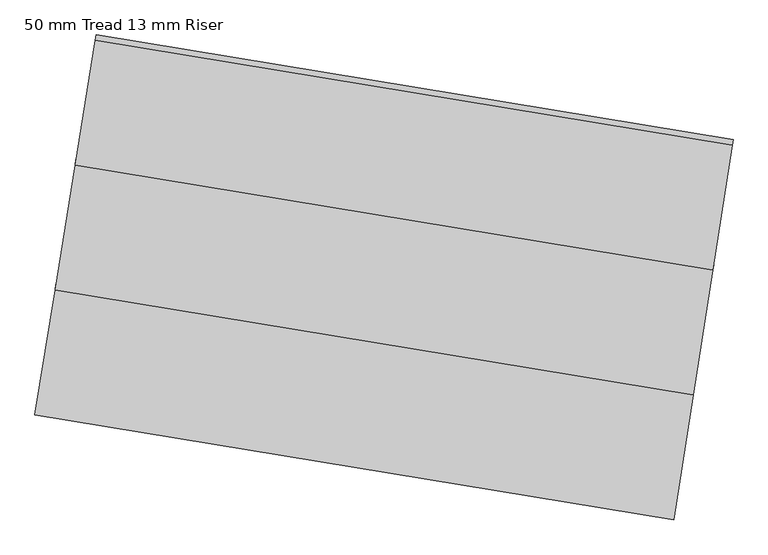
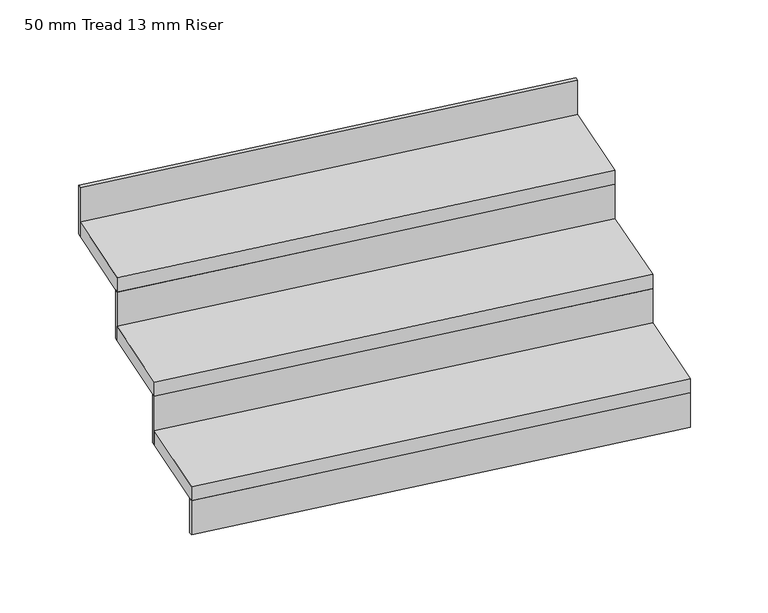
"""IFC4 building model written with IfcOpenShell, lengths in millimetres: stair flight geometry, 50 mm Tread 13 mm Riser."""

from ifc_helpers import new_model, si_unit, frame, origin, origin_with_axes, place, context, project, spatial, polyline, outline, extrude, source, transform, mapped, element, save


def stair_flight_50_mm_tread_13_mm_riser_78a7f123(model_context):
    return source(origin(), model_context, "Body", "SweptSolid", [
        extrude(outline(polyline([(-256068.4867465, -30226.8083781), (-256070.4208918, -30239.1582453), (-257583.5589903, -29989.6786448), (-257581.5734853, -29977.3372456), (-256068.4867465, -30226.8083781)])), origin_with_axes(), (0.0, 0.0, 1.0), 120.0),
        extrude(outline(polyline([(-257535.906869, -29693.4850633), (-256024.0014046, -29942.7614324), (-256070.4208918, -30239.1582453), (-257583.5589903, -29989.6786448), (-257535.906869, -29693.4850633)])), frame((0.0, 0.0, 120.0), z_axis=(0.0, 0.0, 1.0), x_axis=(1.0, 0.0, 0.0)), (0.0, 0.0, 1.0), 50.0),
        extrude(outline(polyline([(-256022.0672593, -29930.4115652), (-256024.0014046, -29942.7614324), (-257535.906869, -29693.4850633), (-257533.921364, -29681.1436641), (-256022.0672593, -29930.4115652)])), frame((0.0, 0.0, 120.0), z_axis=(0.0, 0.0, 1.0), x_axis=(1.0, 0.0, 0.0)), (0.0, 0.0, 1.0), 170.0),
        extrude(outline(polyline([(-257488.2547477, -29397.2914818), (-255977.5819174, -29646.3646196), (-256024.0014046, -29942.7614324), (-257535.906869, -29693.4850633), (-257488.2547477, -29397.2914818)])), frame((0.0, 0.0, 290.0), z_axis=(0.0, 0.0, 1.0), x_axis=(1.0, 0.0, 0.0)), (0.0, 0.0, 1.0), 50.0),
        extrude(outline(polyline([(-255975.6477721, -29634.0147524), (-255977.5819174, -29646.3646196), (-257488.2547477, -29397.2914818), (-257486.2692427, -29384.9500825), (-255975.6477721, -29634.0147524)])), frame((0.0, 0.0, 290.0), z_axis=(0.0, 0.0, 1.0), x_axis=(1.0, 0.0, 0.0)), (0.0, 0.0, 1.0), 170.0),
        extrude(outline(polyline([(-255929.228285, -29337.6179394), (-255931.1624303, -29349.9678067), (-257440.6026264, -29101.0979002), (-257438.6171214, -29088.756501), (-255929.228285, -29337.6179394)])), frame((0.0, 0.0, 460.0), z_axis=(0.0, 0.0, 1.0), x_axis=(1.0, 0.0, 0.0)), (0.0, 0.0, 1.0), 170.0),
        extrude(outline(polyline([(-257440.6026264, -29101.0979002), (-255931.1624303, -29349.9678067), (-255977.5819174, -29646.3646196), (-257488.2547477, -29397.2914818), (-257440.6026264, -29101.0979002)])), frame((0.0, 0.0, 460.0), z_axis=(0.0, 0.0, 1.0), x_axis=(1.0, 0.0, 0.0)), (0.0, 0.0, 1.0), 50.0),
    ])


if __name__ == "__main__":
    model = new_model("IFC4")
    model_context = context("Model", 3, world=origin())
    ifc_project = project(units=[si_unit("LENGTHUNIT", "METRE", prefix="MILLI")], contexts=[model_context])
    site = spatial("IfcSite", under=ifc_project)
    building = spatial("IfcBuilding", under=site)
    placement = place(None, origin())
    stair_flight_50_mm_tread_13_mm_riser_shape = stair_flight_50_mm_tread_13_mm_riser_78a7f123(model_context)
    element("IfcStairFlight", 1, ObjectType="50 mm Tread 13 mm Riser", at=placement, inside=building, context=model_context, shape_type="MappedRepresentation", body=[
        mapped(stair_flight_50_mm_tread_13_mm_riser_shape, transform((0.0, 0.0, 0.0), x_axis=(1.0, 0.0, 0.0), y_axis=(0.0, 1.0, 0.0), z_axis=(0.0, 0.0, 1.0))),
    ])
    save(model, "model.ifc")
